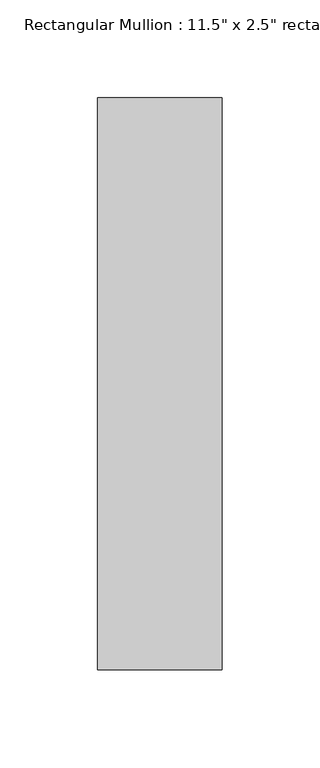
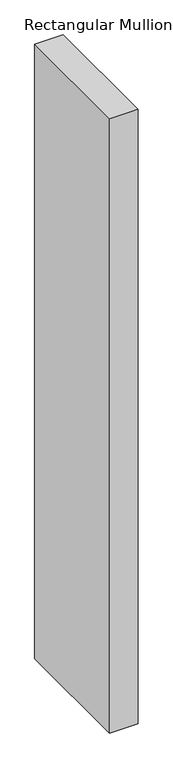
"""IFC4 building model written with IfcOpenShell, lengths in millimetres: member geometry."""

from ifc_helpers import new_model, si_unit, frame, origin, place, context, project, spatial, polyline, outline, extrude, source, transform, mapped, element, save


def member_027853ba(model_context):
    return source(origin(), model_context, "Body", "SweptSolid", [
        extrude(outline(polyline([(0.0, 88.9), (0.0, -203.2), (-63.5, -203.2), (-63.5, 88.9), (0.0, 88.9)])), frame((0.0, 0.0, -1460.5), z_axis=(0.0, 0.0, 1.0), x_axis=(1.0, 0.0, 0.0)), (0.0, 0.0, 1.0), 1460.5),
    ])


if __name__ == "__main__":
    model = new_model("IFC4")
    model_context = context("Model", 3, world=origin())
    ifc_project = project(units=[si_unit("LENGTHUNIT", "METRE", prefix="MILLI")], contexts=[model_context])
    site = spatial("IfcSite", under=ifc_project)
    building = spatial("IfcBuilding", under=site)
    placement = place(None, origin())
    member_shape = member_027853ba(model_context)
    element("IfcMember", 1, ObjectType="Rectangular Mullion : 11.5\" x 2.5\" rectangular", at=placement, inside=building, context=model_context, shape_type="MappedRepresentation", body=[
        mapped(member_shape, transform((0.0, 0.0, 0.0), x_axis=(1.0, 0.0, 0.0), y_axis=(0.0, 1.0, 0.0), z_axis=(0.0, 0.0, 1.0))),
    ])
    save(model, "model.ifc")
